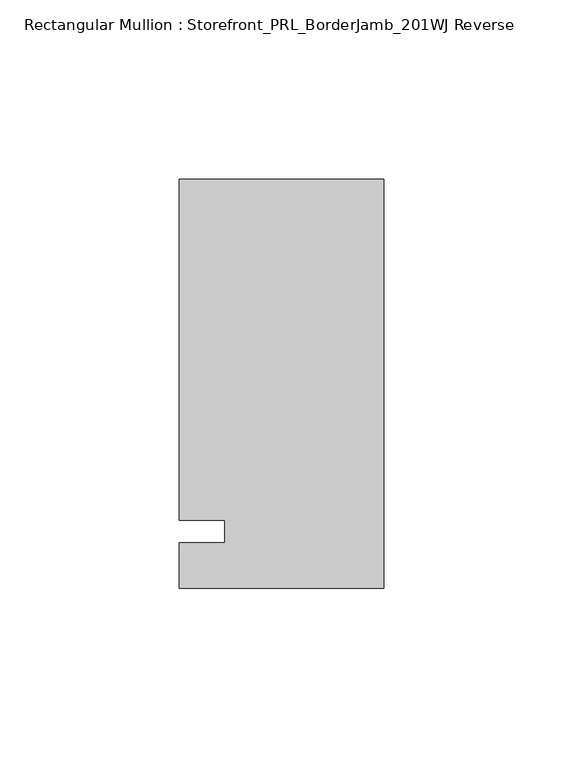
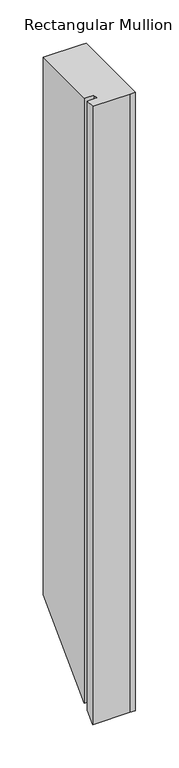
"""IFC4 building model written with IfcOpenShell, lengths in millimetres: member geometry, Rectangular Mullion : Storefront_PRL_BorderJamb_201WJ Reverse."""

from ifc_helpers import new_model, si_unit, origin, place, context, project, spatial, faceted_brep, source, transform, mapped, element, save


def rectangular_mullion_storefront_prl_borderjamb_201wj_reverse_9db3dc1d(model_context):
    return source(origin(), model_context, "Body", "Brep", [
        faceted_brep([(-44.45, 3.175, 0.0), (-44.45, -3.175, 0.0), (-57.15, -3.175, 0.0), (-57.15, -15.875, 0.0), (-7.3958824, -15.875, 0.0), (0.0, -15.875, 0.0), (0.0, 98.425, 0.0), (-6.35, 98.425, 0.0), (-57.15, 98.425, 0.0), (-57.15, 3.175, 0.0), (-44.45, 3.175, -854.075), (-44.45, -3.175, -860.425), (-57.15, -3.175, -860.425), (-57.15, -15.875, -873.125), (-7.3958824, -15.875, -873.125), (0.0, -15.875, -873.125), (0.0, 98.425, -758.825), (-6.35, 98.425, -758.825), (-57.15, 98.425, -758.825), (-57.15, 3.175, -854.075)], [[[0, 1, 2, 3, 4, 5, 6, 7, 8, 9]], [[1, 0, 10, 11]], [[2, 1, 11, 12]], [[3, 2, 12, 13]], [[4, 3, 13, 14]], [[5, 4, 14, 15]], [[6, 5, 15, 16]], [[7, 6, 16, 17]], [[8, 7, 17, 18]], [[9, 8, 18, 19]], [[0, 9, 19, 10]], [[10, 19, 18, 17, 16, 15, 14, 13, 12, 11]]]),
    ])


if __name__ == "__main__":
    model = new_model("IFC4")
    model_context = context("Model", 3, world=origin())
    ifc_project = project(units=[si_unit("LENGTHUNIT", "METRE", prefix="MILLI")], contexts=[model_context])
    site = spatial("IfcSite", under=ifc_project)
    building = spatial("IfcBuilding", under=site)
    placement = place(None, origin())
    rectangular_mullion_storefront_prl_borderjamb_201wj_reverse_shape = rectangular_mullion_storefront_prl_borderjamb_201wj_reverse_9db3dc1d(model_context)
    element("IfcMember", 1, ObjectType="Rectangular Mullion : Storefront_PRL_BorderJamb_201WJ Reverse", at=placement, inside=building, context=model_context, shape_type="MappedRepresentation", body=[
        mapped(rectangular_mullion_storefront_prl_borderjamb_201wj_reverse_shape, transform((0.0, 0.0, 0.0), x_axis=(1.0, 0.0, 0.0), y_axis=(0.0, 1.0, 0.0), z_axis=(0.0, 0.0, 1.0))),
    ])
    save(model, "model.ifc")
